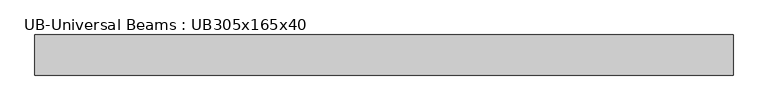
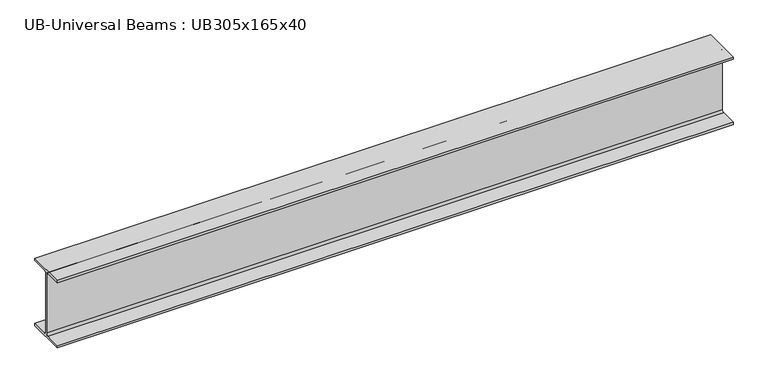
"""IFC4 building model written with IfcOpenShell, lengths in millimetres: beam geometry, UB-Universal Beams : UB305x165x40."""

from ifc_helpers import new_model, si_unit, point, frame, frame_2d, origin, place, context, project, spatial, polyline, circle_curve, trimmed, segment, composite_curve, outline, extrude, source, transform, mapped, element, save


def ub_universal_beams_ub305x165x40_eb613edf(model_context):
    return source(origin(), model_context, "Body", "SweptSolid", [
        extrude(outline(composite_curve([segment(polyline([(82.5, -141.5), (82.5, -151.7), (-82.5, -151.7), (-82.5, -141.5), (-11.9, -141.5)]), True, "CONTINUOUS"), segment(trimmed(circle_curve(frame_2d((-11.9, -132.6)), 8.9), [point((-11.9, -141.5))], [point((-3.0, -132.6))], True, "CARTESIAN"), True, "CONTINUOUS"), segment(polyline([(-3.0, -132.6), (-3.0, 132.6)]), True, "CONTINUOUS"), segment(trimmed(circle_curve(frame_2d((-11.9, 132.6)), 8.9), [point((-3.0, 132.6))], [point((-11.9, 141.5))], True, "CARTESIAN"), True, "CONTINUOUS"), segment(polyline([(-11.9, 141.5), (-82.5, 141.5), (-82.5, 151.7), (82.5, 151.7), (82.5, 141.5), (11.9, 141.5)]), True, "CONTINUOUS"), segment(trimmed(circle_curve(frame_2d((11.9, 132.6)), 8.9), [point((11.9, 141.5))], [point((3.0, 132.6))], True, "CARTESIAN"), True, "CONTINUOUS"), segment(polyline([(3.0, 132.6), (3.0, -132.6)]), True, "CONTINUOUS"), segment(trimmed(circle_curve(frame_2d((11.9, -132.6)), 8.9), [point((3.0, -132.6))], [point((11.9, -141.5))], True, "CARTESIAN"), True, "CONTINUOUS"), segment(polyline([(11.9, -141.5), (82.5, -141.5)]), True, "CONTINUOUS")], self_intersect=False)), frame((-1429.8, 0.0, 0.0), z_axis=(1.0, 0.0, 0.0), x_axis=(0.0, 1.0, 0.0)), (0.0, 0.0, 1.0), 2872.3),
    ])


if __name__ == "__main__":
    model = new_model("IFC4")
    model_context = context("Model", 3, world=origin())
    ifc_project = project(units=[si_unit("LENGTHUNIT", "METRE", prefix="MILLI")], contexts=[model_context])
    site = spatial("IfcSite", under=ifc_project)
    building = spatial("IfcBuilding", under=site)
    placement = place(None, origin())
    ub_universal_beams_ub305x165x40_shape = ub_universal_beams_ub305x165x40_eb613edf(model_context)
    element("IfcBeam", 1, ObjectType="UB-Universal Beams : UB305x165x40", at=placement, inside=building, context=model_context, shape_type="MappedRepresentation", body=[
        mapped(ub_universal_beams_ub305x165x40_shape, transform((0.0, 0.0, 0.0), x_axis=(1.0, 0.0, 0.0), y_axis=(0.0, 1.0, 0.0), z_axis=(0.0, 0.0, 1.0))),
    ])
    save(model, "model.ifc")
